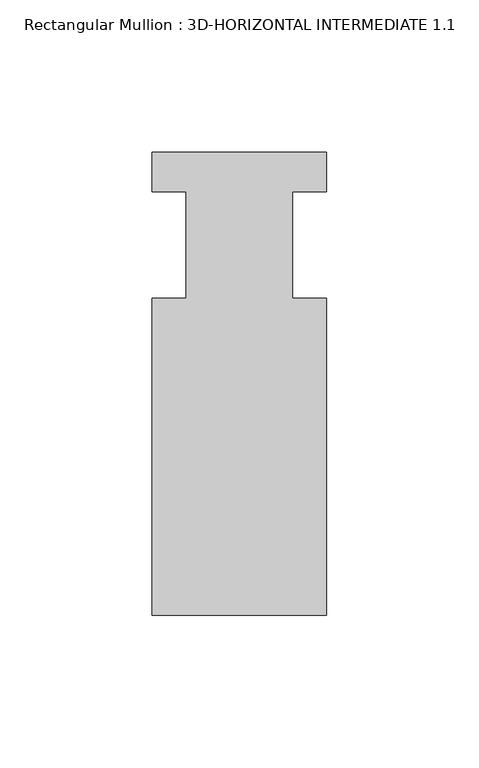
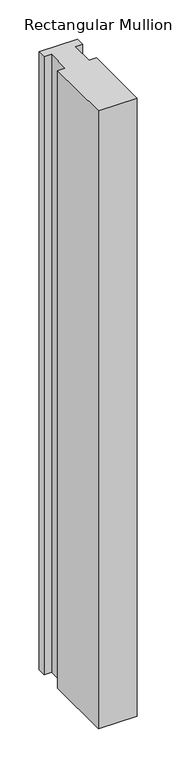
"""IFC4 building model written with IfcOpenShell, lengths in millimetres: member geometry, Rectangular Mullion : 3D-HORIZONTAL INTERMEDIATE 1.1."""

from ifc_helpers import new_model, si_unit, frame, origin, place, context, project, spatial, polyline, outline, extrude, source, transform, mapped, element, save


def rectangular_mullion_3d_horizontal_intermediate_1_1_448c7630(model_context):
    return source(origin(), model_context, "Body", "SweptSolid", [
        extrude(outline(polyline([(28.575, 6.78815), (28.575, -6.0791383), (17.4625, -6.0791383), (17.4625, -41.04005), (28.575, -41.04005), (28.575, -144.90065), (-28.575, -144.90065), (-28.575, -41.04005), (-17.4625, -41.04005), (-17.4625, -6.0791383), (-28.575, -6.0791383), (-28.575, 6.78815), (28.575, 6.78815)])), frame((0.0, 0.0, -963.6550285), z_axis=(0.0, 0.0, 1.0), x_axis=(1.0, 0.0, 0.0)), (0.0, 0.0, 1.0), 963.6550285),
    ])


if __name__ == "__main__":
    model = new_model("IFC4")
    model_context = context("Model", 3, world=origin())
    ifc_project = project(units=[si_unit("LENGTHUNIT", "METRE", prefix="MILLI")], contexts=[model_context])
    site = spatial("IfcSite", under=ifc_project)
    building = spatial("IfcBuilding", under=site)
    placement = place(None, origin())
    rectangular_mullion_3d_horizontal_intermediate_1_1_shape = rectangular_mullion_3d_horizontal_intermediate_1_1_448c7630(model_context)
    element("IfcMember", 1, ObjectType="Rectangular Mullion : 3D-HORIZONTAL INTERMEDIATE 1.1", at=placement, inside=building, context=model_context, shape_type="MappedRepresentation", body=[
        mapped(rectangular_mullion_3d_horizontal_intermediate_1_1_shape, transform((0.0, 0.0, 0.0), x_axis=(1.0, 0.0, 0.0), y_axis=(0.0, 1.0, 0.0), z_axis=(0.0, 0.0, 1.0))),
    ])
    save(model, "model.ifc")
